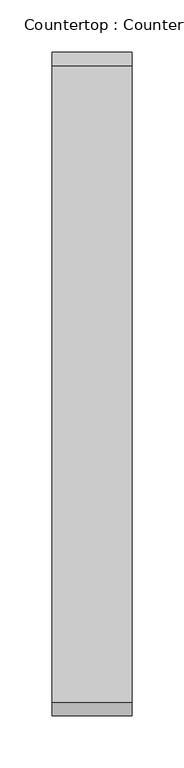
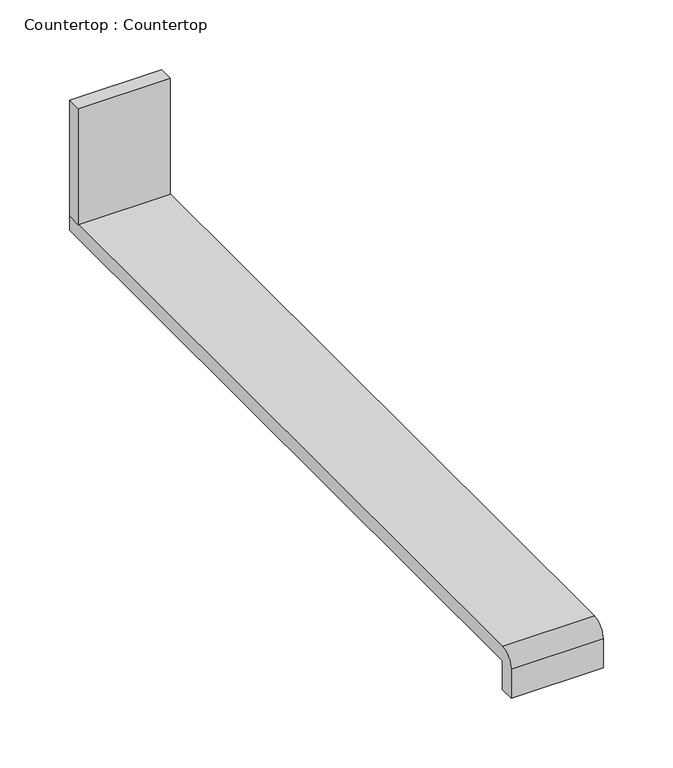
"""IFC4 building model written with IfcOpenShell, lengths in millimetres: proxy geometry, Countertop : Countertop."""

from ifc_helpers import new_model, si_unit, point, frame, frame_2d, origin, place, context, project, spatial, polyline, circle_curve, trimmed, segment, composite_curve, outline, extrude, source, transform, mapped, element, save


def countertop_countertop_28aae1dc(model_context):
    return source(origin(), model_context, "Body", "SweptSolid", [
        extrude(outline(polyline([(76.3544083, 0.0), (76.3544083, -12.7), (0.0, -12.7), (0.0, 0.0), (76.3544083, 0.0)])), frame((0.0, 0.0, 863.6), z_axis=(0.0, 0.0, 1.0), x_axis=(1.0, 0.0, 0.0)), (0.0, 0.0, 1.0), 101.6),
        extrude(outline(composite_curve([segment(polyline([(-622.3, 863.6), (0.0, 863.6), (0.0, 850.9), (-622.3, 850.9), (-622.3, 825.5), (-635.0, 825.5), (-635.0, 850.9)]), True, "CONTINUOUS"), segment(trimmed(circle_curve(frame_2d((-622.3, 850.9)), 12.7), [point((-635.0, 850.9))], [point((-622.3, 863.6))], False, "CARTESIAN"), True, "CONTINUOUS")], self_intersect=False)), frame((0.0, 0.0, 0.0), z_axis=(1.0, 0.0, 0.0), x_axis=(0.0, 1.0, 0.0)), (0.0, 0.0, 1.0), 76.3544083),
    ])


if __name__ == "__main__":
    model = new_model("IFC4")
    model_context = context("Model", 3, world=origin())
    ifc_project = project(units=[si_unit("LENGTHUNIT", "METRE", prefix="MILLI")], contexts=[model_context])
    site = spatial("IfcSite", under=ifc_project)
    building = spatial("IfcBuilding", under=site)
    placement = place(None, origin())
    countertop_countertop_shape = countertop_countertop_28aae1dc(model_context)
    element("IfcBuildingElementProxy", 1, Name="Countertop : Countertop", ObjectType="Countertop : Countertop", at=placement, inside=building, context=model_context, shape_type="MappedRepresentation", body=[
        mapped(countertop_countertop_shape, transform((0.0, 0.0, 0.0), x_axis=(1.0, 0.0, 0.0), y_axis=(0.0, 1.0, 0.0), z_axis=(0.0, 0.0, 1.0))),
    ])
    save(model, "model.ifc")
